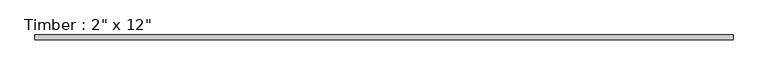
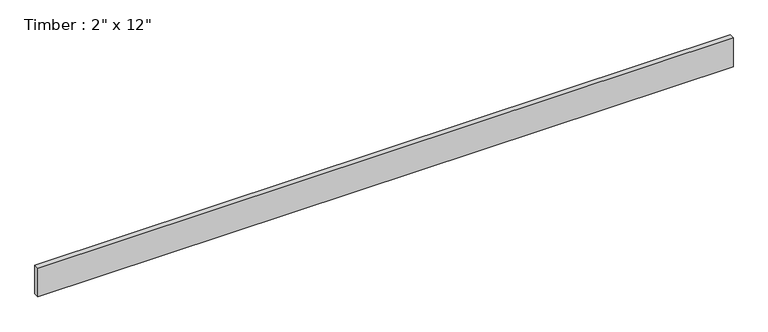
"""IFC4 building model written with IfcOpenShell, lengths in millimetres: beam geometry."""

from ifc_helpers import new_model, si_unit, frame, origin, place, context, project, spatial, polyline, outline, extrude, source, transform, mapped, element, save


def beam_5e6fb215(model_context):
    return source(origin(), model_context, "Body", "SweptSolid", [
        extrude(outline(polyline([(3486.15, 25.4), (3486.15, -25.4), (-3486.15, -25.4), (-3486.15, 25.4), (3486.15, 25.4)])), frame((0.0, 0.0, -152.4), z_axis=(0.0, 0.0, 1.0), x_axis=(1.0, 0.0, 0.0)), (0.0, 0.0, 1.0), 304.8),
    ])


if __name__ == "__main__":
    model = new_model("IFC4")
    model_context = context("Model", 3, world=origin())
    ifc_project = project(units=[si_unit("LENGTHUNIT", "METRE", prefix="MILLI")], contexts=[model_context])
    site = spatial("IfcSite", under=ifc_project)
    building = spatial("IfcBuilding", under=site)
    placement = place(None, origin())
    beam_shape = beam_5e6fb215(model_context)
    element("IfcBeam", 1, ObjectType="Timber : 2\" x 12\"", at=placement, inside=building, context=model_context, shape_type="MappedRepresentation", body=[
        mapped(beam_shape, transform((0.0, 0.0, 0.0), x_axis=(1.0, 0.0, 0.0), y_axis=(0.0, 1.0, 0.0), z_axis=(0.0, 0.0, 1.0))),
    ])
    save(model, "model.ifc")
